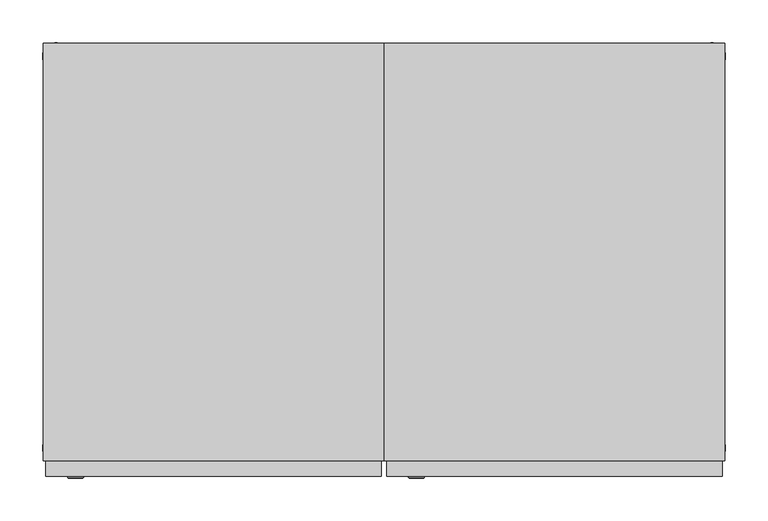
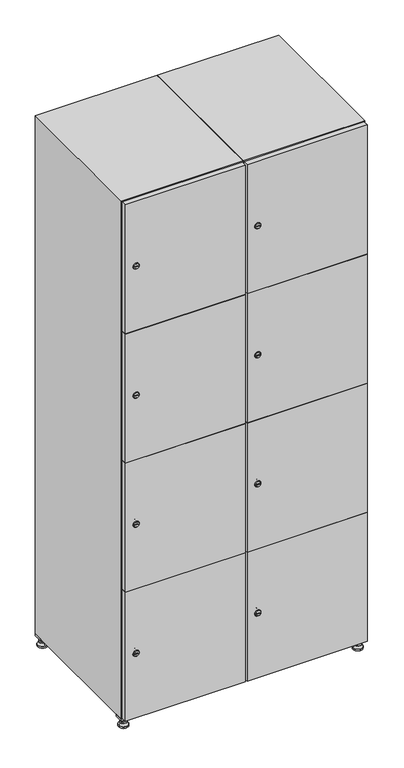
"""IFC4 building model written with IfcOpenShell, lengths in millimetres: furniture geometry."""

import ifcopenshell
import ifcopenshell.guid

model = None  # the IFC model being written
_history = None  # IfcOwnerHistory: only IFC2X3 demands one
_inside = {}  # id of a spatial element -> (the spatial element, [elements in it])
_under = {}  # id of a project, library or spatial element -> (it, [spatial elements below it])
_declared = {}  # id of a project -> (the project, [libraries it declares])
_typed = {}  # id of a type object -> (the type object, [elements of that type])
_made_of = {}  # id of a material, layer set ... -> (it, [elements and type objects made of it])


def new_model(schema):
    """Start an empty IFC model of exactly this schema.

    Asked for "IFC4X3", IfcOpenShell would pick the latest addendum, in which some entities
    have other attributes; the version numbers below select the first issue.
    IFC2X3 requires an IfcOwnerHistory on every rooted entity: one is made here for all.
    """
    global model, _history
    if schema == "IFC4X3":
        model = ifcopenshell.file(schema_version=(4, 3, 0, 0))
    else:
        model = ifcopenshell.file(schema=schema)
    _inside.clear()
    _under.clear()
    _declared.clear()
    _typed.clear()
    _made_of.clear()
    _history = None
    if model.schema == "IFC2X3":
        org = make("IfcOrganization", Name="unknown")
        user = make(
            "IfcPersonAndOrganization",
            ThePerson=make("IfcPerson", FamilyName="unknown"),
            TheOrganization=org,
        )
        app = make(
            "IfcApplication",
            ApplicationDeveloper=org,
            Version="unknown",
            ApplicationFullName="unknown",
            ApplicationIdentifier="unknown",
        )
        _history = make(
            "IfcOwnerHistory",
            OwningUser=user,
            OwningApplication=app,
            ChangeAction="ADDED",
            CreationDate=0,
        )
    return model


def make(cls, **values):
    """One entity of the class cls with the attributes given. An attribute that is None is left unset."""
    return model.create_entity(
        cls, **{name: value for name, value in values.items() if value is not None}
    )


def rooted(cls, **values):
    """An entity with a GlobalId (a new one), such as an element, a storey or a relation."""
    return make(cls, GlobalId=ifcopenshell.guid.new(), OwnerHistory=_history, **values)


def si_unit(unit_type, name, prefix=None):
    """IfcSIUnit, for example si_unit("LENGTHUNIT", "METRE", prefix="MILLI")."""
    return make("IfcSIUnit", UnitType=unit_type, Prefix=prefix, Name=name)


def assignment(units):
    """IfcUnitAssignment: the units of a project."""
    return None if units is None else make("IfcUnitAssignment", Units=units)


def point(xyz):
    """IfcCartesianPoint."""
    return None if xyz is None else make("IfcCartesianPoint", Coordinates=xyz)


def direction(xyz):
    """IfcDirection."""
    return None if xyz is None else make("IfcDirection", DirectionRatios=xyz)


def frame(location, z_axis=None, x_axis=None):
    """IfcAxis2Placement3D, a coordinate frame: its origin and axes. An axis left out is left unset."""
    return make(
        "IfcAxis2Placement3D",
        Location=point(location),
        Axis=direction(z_axis),
        RefDirection=direction(x_axis),
    )


def frame_2d(location, x_axis=None):
    """IfcAxis2Placement2D, a coordinate frame in the plane: its origin and x axis."""
    return make(
        "IfcAxis2Placement2D", Location=point(location), RefDirection=direction(x_axis)
    )


def origin():
    """The frame at (0, 0, 0) with its axes left unset."""
    return frame((0.0, 0.0, 0.0))


def origin_with_axes():
    """The frame at (0, 0, 0) with the z axis (0, 0, 1) and the x axis (1, 0, 0) written out."""
    return frame((0.0, 0.0, 0.0), z_axis=(0.0, 0.0, 1.0), x_axis=(1.0, 0.0, 0.0))


def place(relative_to, where):
    """IfcLocalPlacement: puts the frame where relative to a parent placement (None: the world)."""
    return make(
        "IfcLocalPlacement", PlacementRelTo=relative_to, RelativePlacement=where
    )


def context(
    kind, dimensions, precision=None, world=None, true_north=None, identifier=None
):
    """IfcGeometricRepresentationContext, for example the 3D "Model" context."""
    return make(
        "IfcGeometricRepresentationContext",
        ContextIdentifier=identifier,
        ContextType=kind,
        CoordinateSpaceDimension=dimensions,
        Precision=precision,
        WorldCoordinateSystem=world,
        TrueNorth=true_north,
    )


def project(units=None, contexts=None):
    """IfcProject with its units and contexts."""
    return rooted(
        "IfcProject",
        Name="project",
        RepresentationContexts=contexts,
        UnitsInContext=assignment(units),
    )


def spatial(cls, under=None, at=None, **own):
    """A site, building, storey or space (cls), placed at a placement, below another one or the project."""
    s = rooted(cls, ObjectPlacement=at, **own)
    if under is not None:
        _under.setdefault(under.id(), (under, []))[1].append(s)
    return s


def polyline(points):
    """IfcPolyline through the points."""
    return make("IfcPolyline", Points=[point(p) for p in points])


def circle_curve(where, radius):
    """IfcCircle in the frame where."""
    return make("IfcCircle", Position=where, Radius=radius)


def trimmed(basis, trim1, trim2, sense, master):
    """IfcTrimmedCurve: the piece of a basis curve between two trims."""
    return make(
        "IfcTrimmedCurve",
        BasisCurve=basis,
        Trim1=trim1,
        Trim2=trim2,
        SenseAgreement=sense,
        MasterRepresentation=master,
    )


def segment(curve, same_sense, transition):
    """IfcCompositeCurveSegment."""
    return make(
        "IfcCompositeCurveSegment",
        Transition=transition,
        SameSense=same_sense,
        ParentCurve=curve,
    )


def composite_curve(segments, self_intersect=None):
    """IfcCompositeCurve: segments joined end to end."""
    return make("IfcCompositeCurve", Segments=segments, SelfIntersect=self_intersect)


def outline(outer, holes=None, kind="AREA"):
    """IfcArbitraryClosedProfileDef: a profile drawn as a closed curve; with holes, ...WithVoids."""
    if holes is None:
        return make("IfcArbitraryClosedProfileDef", ProfileType=kind, OuterCurve=outer)
    return make(
        "IfcArbitraryProfileDefWithVoids",
        ProfileType=kind,
        OuterCurve=outer,
        InnerCurves=holes,
    )


def extrude(swept, where, along, depth):
    """IfcExtrudedAreaSolid: the profile swept, set in the frame where, extruded along a direction by depth."""
    return make(
        "IfcExtrudedAreaSolid",
        SweptArea=swept,
        Position=where,
        ExtrudedDirection=direction(along),
        Depth=depth,
    )


def faces_of(points, faces, orient=None, outer=None):
    """IfcFace entities. A face is a list of loops; a loop is a list of indices into points, from 0.

    orient and outer hold one flag for each loop. By default every Orientation is true, the
    first loop of a face is its IfcFaceOuterBound and the others are IfcFaceBound.
    """
    made = []
    for i, loops in enumerate(faces):
        bounds = []
        for j, loop in enumerate(loops):
            is_outer = j == 0 if outer is None else outer[i][j]
            bounds.append(
                make(
                    "IfcFaceOuterBound" if is_outer else "IfcFaceBound",
                    Bound=make("IfcPolyLoop", Polygon=[points[k] for k in loop]),
                    Orientation=True if orient is None else orient[i][j],
                )
            )
        made.append(make("IfcFace", Bounds=bounds))
    return made


def faceted_brep(points, faces, orient=None, outer=None, voids=None):
    """IfcFacetedBrep: a solid bounded by flat faces; with voids (closed shells), ...WithVoids."""
    shared = [point(p) for p in points]
    hull = make("IfcClosedShell", CfsFaces=faces_of(shared, faces, orient, outer))
    if voids is None:
        return make("IfcFacetedBrep", Outer=hull)
    return make(
        "IfcFacetedBrepWithVoids",
        Outer=hull,
        Voids=[
            make(cls, CfsFaces=faces_of(shared, fs, o, b)) for cls, fs, o, b in voids
        ],
    )


def shape(context_of_items, identifier, shape_type, items):
    """IfcShapeRepresentation: the items that make up one representation, for example the "Body"."""
    return make(
        "IfcShapeRepresentation",
        ContextOfItems=context_of_items,
        RepresentationIdentifier=identifier,
        RepresentationType=shape_type,
        Items=items,
    )


def source(mapping_origin, context_of_items, identifier, shape_type, items):
    """IfcRepresentationMap: a shape defined once, which mapped items show again and again."""
    return make(
        "IfcRepresentationMap",
        MappingOrigin=mapping_origin,
        MappedRepresentation=shape(context_of_items, identifier, shape_type, items),
    )


def transform(
    local_origin,
    x_axis=None,
    y_axis=None,
    z_axis=None,
    scale=None,
    scale2=None,
    scale3=None,
    uniform=True,
):
    """IfcCartesianTransformationOperator3D, or its non-uniform kind. x_axis, y_axis, z_axis: its Axis1, 2, 3."""
    if uniform:
        return make(
            "IfcCartesianTransformationOperator3D",
            Axis1=direction(x_axis),
            Axis2=direction(y_axis),
            LocalOrigin=point(local_origin),
            Scale=scale,
            Axis3=direction(z_axis),
        )
    return make(
        "IfcCartesianTransformationOperator3DnonUniform",
        Axis1=direction(x_axis),
        Axis2=direction(y_axis),
        LocalOrigin=point(local_origin),
        Scale=scale,
        Axis3=direction(z_axis),
        Scale2=scale2,
        Scale3=scale3,
    )


def mapped(mapping_source, mapping_target):
    """IfcMappedItem: shows the shape of a source again, moved by a transform."""
    return make(
        "IfcMappedItem", MappingSource=mapping_source, MappingTarget=mapping_target
    )


def made_of(thing, what):
    """Note that an element or type object is made of a material, layer set ...; save() writes the relation."""
    if what is not None:
        _made_of.setdefault(what.id(), (what, []))[1].append(thing)
    return thing


def element(
    cls,
    number,
    at=None,
    inside=None,
    cuts=None,
    type_object=None,
    material=None,
    context=None,
    identifier="Body",
    shape_type=None,
    held_by="IfcProductDefinitionShape",
    body=None,
    shapes=None,
    **own,
):
    """One element of the class cls, such as IfcWall. Its Tag is "e" and its number.

    at: its placement. inside: the storey or other place that contains it. cuts: it is an
    opening in that element (IfcRelVoidsElement). A single representation is given by context,
    identifier, shape_type and body (its items); several are given by shapes. held_by: the class
    of the entity that holds the representations. save() writes the other relations.
    """
    e = rooted(cls, Tag="e%d" % number, ObjectPlacement=at, **own)
    if body is not None:
        shapes = [shape(context, identifier, shape_type, body)]
    if shapes is not None:
        e.Representation = make(held_by, Representations=shapes)
    if inside is not None:
        _inside.setdefault(inside.id(), (inside, []))[1].append(e)
    if cuts is not None:
        rooted(
            "IfcRelVoidsElement", RelatingBuildingElement=cuts, RelatedOpeningElement=e
        )
    if type_object is not None:
        _typed.setdefault(type_object.id(), (type_object, []))[1].append(e)
    return made_of(e, material)


def aggregate(whole, parts):
    """IfcRelAggregates: a whole, such as a stair, and the parts it consists of."""
    return rooted("IfcRelAggregates", RelatingObject=whole, RelatedObjects=parts)


def save(model, path):
    """Write the relations noted so far, then the file.

    IfcRelAggregates (storeys below a building ...), IfcRelContainedInSpatialStructure (elements
    in a storey), IfcRelDefinesByType, IfcRelAssociatesMaterial and IfcRelDeclares: one each for
    every whole, place, type object, material and project.
    """
    for whole, parts in _under.values():
        aggregate(whole, parts)
    for where, things in _inside.values():
        rooted(
            "IfcRelContainedInSpatialStructure",
            RelatedElements=things,
            RelatingStructure=where,
        )
    for kind, things in _typed.values():
        rooted("IfcRelDefinesByType", RelatedObjects=things, RelatingType=kind)
    for what, things in _made_of.values():
        rooted("IfcRelAssociatesMaterial", RelatedObjects=things, RelatingMaterial=what)
    for by, libraries in _declared.values():
        rooted("IfcRelDeclares", RelatingContext=by, RelatedDefinitions=libraries)
    model.write(path)


def plane_surface(at):
    """IfcPlane: the flat surface through the origin of the frame at, square to its z axis."""
    return make("IfcPlane", Position=at)


def revolved_surface(curve, axis_point, axis_direction):
    """IfcSurfaceOfRevolution: the curve turned about the line through axis_point along axis_direction."""
    return make(
        "IfcSurfaceOfRevolution",
        SweptCurve=make("IfcArbitraryOpenProfileDef", ProfileType="CURVE", Curve=curve),
        AxisPosition=make("IfcAxis1Placement", Location=point(axis_point), Axis=direction(axis_direction)),
    )


def advanced_brep(points, edges, surfaces, faces):
    """IfcAdvancedBrep: a solid bounded by faces that lie on surfaces and meet in shared edges.

    An edge is (start, end): straight between two places in points (the first is 0);
    or (start, end, curve); or (start, end, curve, False) where it runs against its curve.
    A face is (place in surfaces, loops), or (place, loops, False) where it looks against
    its surface's normal. A loop lists edges by number (the first is 1), with a minus sign
    where the edge is run from its end to its start. The first loop is the outer one.
    """
    corners = [point(p) for p in points]
    vertices = [make("IfcVertexPoint", VertexGeometry=c) for c in corners]
    made = []
    for start, end, *more in edges:
        made.append(
            make(
                "IfcEdgeCurve",
                EdgeStart=vertices[start],
                EdgeEnd=vertices[end],
                EdgeGeometry=more[0] if more else make("IfcPolyline", Points=[corners[start], corners[end]]),
                SameSense=more[1] if len(more) > 1 else True,
            )
        )
    hull = []
    for where, loops, *sense in faces:
        bounds = []
        for j, loop in enumerate(loops):
            ring = [make("IfcOrientedEdge", EdgeElement=made[abs(k) - 1], Orientation=k > 0) for k in loop]
            bounds.append(
                make(
                    "IfcFaceOuterBound" if j == 0 else "IfcFaceBound",
                    Bound=make("IfcEdgeLoop", EdgeList=ring),
                    Orientation=True,
                )
            )
        hull.append(make("IfcAdvancedFace", Bounds=bounds, FaceSurface=surfaces[where], SameSense=sense[0] if sense else True))
    return make("IfcAdvancedBrep", Outer=make("IfcClosedShell", CfsFaces=hull))


def furniture_71765273(model_context):
    return source(origin(), model_context, "Body", "SolidModel", [
        extrude(outline(polyline([(600.0, 245.0), (600.0, 215.0), (570.0, 215.0), (570.0, 245.0), (600.0, 245.0)]), holes=[polyline([(598.0, 243.0), (572.0, 243.0), (572.0, 217.0), (598.0, 217.0), (598.0, 243.0)])]), frame((0.0, 0.0, 28.5), z_axis=(0.0, 0.0, 1.0), x_axis=(1.0, 0.0, 0.0)), (0.0, 0.0, 1.0), 6.5),
        extrude(outline(polyline([(570.0, -245.0), (570.0, -215.0), (600.0, -215.0), (600.0, -245.0), (570.0, -245.0)]), holes=[polyline([(572.0, -243.0), (598.0, -243.0), (598.0, -217.0), (572.0, -217.0), (572.0, -243.0)])]), frame((0.0, 0.0, 28.5), z_axis=(0.0, 0.0, 1.0), x_axis=(1.0, 0.0, 0.0)), (0.0, 0.0, 1.0), 6.5),
        extrude(outline(polyline([(-170.0, 245.0), (-170.0, 215.0), (-200.0, 215.0), (-200.0, 245.0), (-170.0, 245.0)]), holes=[polyline([(-172.0, 243.0), (-198.0, 243.0), (-198.0, 217.0), (-172.0, 217.0), (-172.0, 243.0)])]), frame((0.0, 0.0, 28.5), z_axis=(0.0, 0.0, 1.0), x_axis=(1.0, 0.0, 0.0)), (0.0, 0.0, 1.0), 6.5),
        extrude(outline(polyline([(-170.0, -215.0), (-170.0, -245.0), (-200.0, -245.0), (-200.0, -215.0), (-170.0, -215.0)]), holes=[polyline([(-198.0, -243.0), (-172.0, -243.0), (-172.0, -217.0), (-198.0, -217.0), (-198.0, -243.0)])]), frame((0.0, 0.0, 28.5), z_axis=(0.0, 0.0, 1.0), x_axis=(1.0, 0.0, 0.0)), (0.0, 0.0, 1.0), 6.5),
        extrude(outline(composite_curve([segment(trimmed(circle_curve(frame_2d((-185.0, 230.0)), 5.0), [point((-180.0, 230.0))], [point((-190.0, 230.0))], False, "CARTESIAN"), True, "CONTINUOUS"), segment(trimmed(circle_curve(frame_2d((-185.0, 230.0)), 5.0), [point((-190.0, 230.0))], [point((-180.0, 230.0))], False, "CARTESIAN"), True, "CONTINUOUS")], self_intersect=False)), frame((0.0, 0.0, 19.6), z_axis=(0.0, 0.0, 1.0), x_axis=(1.0, 0.0, 0.0)), (0.0, 0.0, 1.0), 15.4),
        extrude(outline(composite_curve([segment(trimmed(circle_curve(frame_2d((-185.0, -230.0)), 5.0), [point((-180.0, -230.0))], [point((-190.0, -230.0))], False, "CARTESIAN"), True, "CONTINUOUS"), segment(trimmed(circle_curve(frame_2d((-185.0, -230.0)), 5.0), [point((-190.0, -230.0))], [point((-180.0, -230.0))], False, "CARTESIAN"), True, "CONTINUOUS")], self_intersect=False)), frame((0.0, 0.0, 19.6), z_axis=(0.0, 0.0, 1.0), x_axis=(1.0, 0.0, 0.0)), (0.0, 0.0, 1.0), 15.4),
        extrude(outline(composite_curve([segment(trimmed(circle_curve(frame_2d((585.0, 230.0)), 5.0), [point((590.0, 230.0))], [point((580.0, 230.0))], False, "CARTESIAN"), True, "CONTINUOUS"), segment(trimmed(circle_curve(frame_2d((585.0, 230.0)), 5.0), [point((580.0, 230.0))], [point((590.0, 230.0))], False, "CARTESIAN"), True, "CONTINUOUS")], self_intersect=False)), frame((0.0, 0.0, 19.6), z_axis=(0.0, 0.0, 1.0), x_axis=(1.0, 0.0, 0.0)), (0.0, 0.0, 1.0), 15.4),
        extrude(outline(polyline([(573.4529946, 230.0), (579.2264973, 240.0), (590.7735027, 240.0), (596.5470054, 230.0), (590.7735027, 220.0), (579.2264973, 220.0), (573.4529946, 230.0)])), frame((0.0, 0.0, 13.6), z_axis=(0.0, 0.0, 1.0), x_axis=(1.0, 0.0, 0.0)), (0.0, 0.0, 1.0), 6.0),
        extrude(outline(composite_curve([segment(trimmed(circle_curve(frame_2d((585.0, -230.0)), 5.0), [point((590.0, -230.0))], [point((580.0, -230.0))], False, "CARTESIAN"), True, "CONTINUOUS"), segment(trimmed(circle_curve(frame_2d((585.0, -230.0)), 5.0), [point((580.0, -230.0))], [point((590.0, -230.0))], False, "CARTESIAN"), True, "CONTINUOUS")], self_intersect=False)), frame((0.0, 0.0, 19.6), z_axis=(0.0, 0.0, 1.0), x_axis=(1.0, 0.0, 0.0)), (0.0, 0.0, 1.0), 15.4),
        extrude(outline(polyline([(573.4529946, -230.0), (579.2264973, -220.0), (590.7735027, -220.0), (596.5470054, -230.0), (590.7735027, -240.0), (579.2264973, -240.0), (573.4529946, -230.0)])), frame((0.0, 0.0, 13.6), z_axis=(0.0, 0.0, 1.0), x_axis=(1.0, 0.0, 0.0)), (0.0, 0.0, 1.0), 6.0),
        extrude(outline(composite_curve([segment(trimmed(circle_curve(frame_2d((585.0, 230.0)), 5.0), [point((590.0, 230.0))], [point((580.0, 230.0))], False, "CARTESIAN"), True, "CONTINUOUS"), segment(trimmed(circle_curve(frame_2d((585.0, 230.0)), 5.0), [point((580.0, 230.0))], [point((590.0, 230.0))], False, "CARTESIAN"), True, "CONTINUOUS")], self_intersect=False)), frame((0.0, 0.0, 12.1), z_axis=(0.0, 0.0, 1.0), x_axis=(1.0, 0.0, 0.0)), (0.0, 0.0, 1.0), 1.5),
        extrude(outline(composite_curve([segment(trimmed(circle_curve(frame_2d((585.0, -230.0)), 5.0), [point((590.0, -230.0))], [point((580.0, -230.0))], False, "CARTESIAN"), True, "CONTINUOUS"), segment(trimmed(circle_curve(frame_2d((585.0, -230.0)), 5.0), [point((580.0, -230.0))], [point((590.0, -230.0))], False, "CARTESIAN"), True, "CONTINUOUS")], self_intersect=False)), frame((0.0, 0.0, 12.1), z_axis=(0.0, 0.0, 1.0), x_axis=(1.0, 0.0, 0.0)), (0.0, 0.0, 1.0), 1.5),
        extrude(outline(polyline([(-196.5470054, 230.0), (-190.7735027, 240.0), (-179.2264973, 240.0), (-173.4529946, 230.0), (-179.2264973, 220.0), (-190.7735027, 220.0), (-196.5470054, 230.0)])), frame((0.0, 0.0, 13.6), z_axis=(0.0, 0.0, 1.0), x_axis=(1.0, 0.0, 0.0)), (0.0, 0.0, 1.0), 6.0),
        extrude(outline(polyline([(-196.5470054, -230.0), (-190.7735027, -220.0), (-179.2264973, -220.0), (-173.4529946, -230.0), (-179.2264973, -240.0), (-190.7735027, -240.0), (-196.5470054, -230.0)])), frame((0.0, 0.0, 13.6), z_axis=(0.0, 0.0, 1.0), x_axis=(1.0, 0.0, 0.0)), (0.0, 0.0, 1.0), 6.0),
        extrude(outline(composite_curve([segment(trimmed(circle_curve(frame_2d((-185.0, 230.0)), 5.0), [point((-185.0, 235.0))], [point((-185.0, 225.0))], False, "CARTESIAN"), True, "CONTINUOUS"), segment(trimmed(circle_curve(frame_2d((-185.0, 230.0)), 5.0), [point((-185.0, 225.0))], [point((-185.0, 235.0))], False, "CARTESIAN"), True, "CONTINUOUS")], self_intersect=False)), frame((0.0, 0.0, 12.1), z_axis=(0.0, 0.0, 1.0), x_axis=(1.0, 0.0, 0.0)), (0.0, 0.0, 1.0), 1.5),
        extrude(outline(composite_curve([segment(trimmed(circle_curve(frame_2d((-185.0, -230.0)), 5.0), [point((-180.0, -230.0))], [point((-190.0, -230.0))], False, "CARTESIAN"), True, "CONTINUOUS"), segment(trimmed(circle_curve(frame_2d((-185.0, -230.0)), 5.0), [point((-190.0, -230.0))], [point((-180.0, -230.0))], False, "CARTESIAN"), True, "CONTINUOUS")], self_intersect=False)), frame((0.0, 0.0, 12.1), z_axis=(0.0, 0.0, 1.0), x_axis=(1.0, 0.0, 0.0)), (0.0, 0.0, 1.0), 1.5),
        extrude(outline(composite_curve([segment(trimmed(circle_curve(frame_2d((585.0, 230.0)), 15.75), [point((600.75, 230.0))], [point((569.25, 230.0))], False, "CARTESIAN"), True, "CONTINUOUS"), segment(trimmed(circle_curve(frame_2d((585.0, 230.0)), 15.75), [point((569.25, 230.0))], [point((600.75, 230.0))], False, "CARTESIAN"), True, "CONTINUOUS")], self_intersect=False)), origin_with_axes(), (0.0, 0.0, 1.0), 5.1),
        extrude(outline(composite_curve([segment(trimmed(circle_curve(frame_2d((585.0, -230.0)), 15.75), [point((585.0, -214.25))], [point((585.0, -245.75))], False, "CARTESIAN"), True, "CONTINUOUS"), segment(trimmed(circle_curve(frame_2d((585.0, -230.0)), 15.75), [point((585.0, -245.75))], [point((585.0, -214.25))], False, "CARTESIAN"), True, "CONTINUOUS")], self_intersect=False)), origin_with_axes(), (0.0, 0.0, 1.0), 5.1),
        extrude(outline(composite_curve([segment(trimmed(circle_curve(frame_2d((-185.0, -230.0)), 15.75), [point((-169.25, -230.0))], [point((-200.75, -230.0))], False, "CARTESIAN"), True, "CONTINUOUS"), segment(trimmed(circle_curve(frame_2d((-185.0, -230.0)), 15.75), [point((-200.75, -230.0))], [point((-169.25, -230.0))], False, "CARTESIAN"), True, "CONTINUOUS")], self_intersect=False)), origin_with_axes(), (0.0, 0.0, 1.0), 5.1),
        extrude(outline(composite_curve([segment(trimmed(circle_curve(frame_2d((-185.0, 230.0)), 15.75), [point((-169.25, 230.0))], [point((-200.75, 230.0))], False, "CARTESIAN"), True, "CONTINUOUS"), segment(trimmed(circle_curve(frame_2d((-185.0, 230.0)), 15.75), [point((-200.75, 230.0))], [point((-169.25, 230.0))], False, "CARTESIAN"), True, "CONTINUOUS")], self_intersect=False)), origin_with_axes(), (0.0, 0.0, 1.0), 5.1),
        advanced_brep(
        [(-185.0, 239.5, 12.1), (-185.0, 220.5, 12.1), (-185.0, 214.25, 5.1), (-185.0, 245.75, 5.1)],
        [
            (0, 1, circle_curve(frame((-185.0, 230.0, 12.1), z_axis=(0.0, 0.0, -1.0), x_axis=(0.0, 1.0, 0.0)), 9.5)),
            (1, 2),
            (2, 3, circle_curve(frame((-185.0, 230.0, 5.1), z_axis=(0.0, 0.0, 1.0), x_axis=(0.0, 1.0, 0.0)), 15.75)),
            (3, 0),
            (1, 0, circle_curve(frame((-185.0, 230.0, 12.1), z_axis=(0.0, 0.0, -1.0), x_axis=(0.0, -1.0, 0.0)), 9.5)),
            (3, 2, circle_curve(frame((-185.0, 230.0, 5.1), z_axis=(0.0, 0.0, 1.0), x_axis=(0.0, -1.0, 0.0)), 15.75)),
        ],
        [
            revolved_surface(polyline([(-185.0, 220.5, 12.099999999999998), (-185.0, 214.25, 5.099999999999998)]), (-185.0, 230.0, 22.74), (0.0, 0.0, -1.0)),
            revolved_surface(polyline([(-185.0, 239.5, 12.099999999999998), (-185.0, 245.75, 5.099999999999998)]), (-185.0, 230.0, 22.74), (0.0, 0.0, -1.0)),
            plane_surface(frame((-185.0, 230.0, 5.1), z_axis=(0.0, 0.0, -1.0), x_axis=(1.0, 0.0, 0.0))),
            plane_surface(frame((-185.0, 230.0, 12.1), z_axis=(0.0, 0.0, 1.0), x_axis=(1.0, 0.0, 0.0))),
        ],
        [
            (0, [[1, 2, 3, 4]]),
            (1, [[5, -4, 6, -2]]),
            (2, [[-3, -6]]),
            (3, [[-5, -1]]),
        ],
    ),
        advanced_brep(
        [(585.0, 239.5, 12.1), (585.0, 220.5, 12.1), (585.0, 214.25, 5.1), (585.0, 245.75, 5.1)],
        [
            (0, 1, circle_curve(frame((585.0, 230.0, 12.1), z_axis=(0.0, 0.0, -1.0), x_axis=(0.0, 1.0, 0.0)), 9.5)),
            (1, 2),
            (2, 3, circle_curve(frame((585.0, 230.0, 5.1), z_axis=(0.0, 0.0, 1.0), x_axis=(0.0, 1.0, 0.0)), 15.75)),
            (3, 0),
            (1, 0, circle_curve(frame((585.0, 230.0, 12.1), z_axis=(0.0, 0.0, -1.0), x_axis=(0.0, -1.0, 0.0)), 9.5)),
            (3, 2, circle_curve(frame((585.0, 230.0, 5.1), z_axis=(0.0, 0.0, 1.0), x_axis=(0.0, -1.0, 0.0)), 15.75)),
        ],
        [
            revolved_surface(polyline([(585.0, 220.5, 12.099999999999998), (585.0, 214.25, 5.099999999999998)]), (585.0, 230.0, 22.74), (0.0, 0.0, -1.0)),
            revolved_surface(polyline([(585.0, 239.5, 12.099999999999998), (585.0, 245.75, 5.099999999999998)]), (585.0, 230.0, 22.74), (0.0, 0.0, -1.0)),
            plane_surface(frame((585.0, 230.0, 5.1), z_axis=(0.0, 0.0, -1.0), x_axis=(1.0, 0.0, 0.0))),
            plane_surface(frame((585.0, 230.0, 12.1), z_axis=(0.0, 0.0, 1.0), x_axis=(1.0, 0.0, 0.0))),
        ],
        [
            (0, [[1, 2, 3, 4]]),
            (1, [[5, -4, 6, -2]]),
            (2, [[-3, -6]]),
            (3, [[-5, -1]]),
        ],
    ),
        advanced_brep(
        [(600.75, -230.0, 5.1), (569.25, -230.0, 5.1), (575.5, -230.0, 12.1), (594.5, -230.0, 12.1)],
        [
            (0, 1, circle_curve(frame((585.0, -230.0, 5.1), z_axis=(0.0, 0.0, 1.0), x_axis=(1.0, 0.0, 0.0)), 15.75)),
            (1, 2),
            (2, 3, circle_curve(frame((585.0, -230.0, 12.1), z_axis=(0.0, 0.0, -1.0), x_axis=(1.0, 0.0, 0.0)), 9.5)),
            (3, 0),
            (1, 0, circle_curve(frame((585.0, -230.0, 5.1), z_axis=(0.0, 0.0, 1.0), x_axis=(-1.0, 0.0, 0.0)), 15.75)),
            (3, 2, circle_curve(frame((585.0, -230.0, 12.1), z_axis=(0.0, 0.0, -1.0), x_axis=(-1.0, 0.0, 0.0)), 9.5)),
        ],
        [
            revolved_surface(polyline([(594.5, -230.0, 12.099999999999998), (600.75, -230.0, 5.099999999999998)]), (585.0, -230.0, 22.74), (0.0, 0.0, -1.0)),
            revolved_surface(polyline([(575.5, -230.0, 12.099999999999998), (569.25, -230.0, 5.099999999999998)]), (585.0, -230.0, 22.74), (0.0, 0.0, -1.0)),
            plane_surface(frame((585.0, -230.0, 12.1), z_axis=(0.0, 0.0, 1.0), x_axis=(0.0, 1.0, 0.0))),
            plane_surface(frame((585.0, -230.0, 5.1), z_axis=(0.0, 0.0, -1.0), x_axis=(0.0, 1.0, 0.0))),
        ],
        [
            (0, [[1, 2, 3, 4]]),
            (1, [[5, -4, 6, -2]]),
            (2, [[-3, -6]]),
            (3, [[-5, -1]]),
        ],
    ),
        advanced_brep(
        [(-169.25, -230.0, 5.1), (-200.75, -230.0, 5.1), (-194.5, -230.0, 12.1), (-175.5, -230.0, 12.1)],
        [
            (0, 1, circle_curve(frame((-185.0, -230.0, 5.1), z_axis=(0.0, 0.0, 1.0), x_axis=(1.0, 0.0, 0.0)), 15.75)),
            (1, 2),
            (2, 3, circle_curve(frame((-185.0, -230.0, 12.1), z_axis=(0.0, 0.0, -1.0), x_axis=(1.0, 0.0, 0.0)), 9.5)),
            (3, 0),
            (1, 0, circle_curve(frame((-185.0, -230.0, 5.1), z_axis=(0.0, 0.0, 1.0), x_axis=(-1.0, 0.0, 0.0)), 15.75)),
            (3, 2, circle_curve(frame((-185.0, -230.0, 12.1), z_axis=(0.0, 0.0, -1.0), x_axis=(-1.0, 0.0, 0.0)), 9.5)),
        ],
        [
            revolved_surface(polyline([(-175.5, -230.0, 12.099999999999998), (-169.25, -230.0, 5.099999999999998)]), (-185.0, -230.0, 22.74), (0.0, 0.0, -1.0)),
            revolved_surface(polyline([(-194.5, -230.0, 12.099999999999998), (-200.75, -230.0, 5.099999999999998)]), (-185.0, -230.0, 22.74), (0.0, 0.0, -1.0)),
            plane_surface(frame((-185.0, -230.0, 12.1), z_axis=(0.0, 0.0, 1.0), x_axis=(0.0, 1.0, 0.0))),
            plane_surface(frame((-185.0, -230.0, 5.1), z_axis=(0.0, 0.0, -1.0), x_axis=(0.0, 1.0, 0.0))),
        ],
        [
            (0, [[1, 2, 3, 4]]),
            (1, [[5, -4, 6, -2]]),
            (2, [[-3, -6]]),
            (3, [[-5, -1]]),
        ],
    ),
        extrude(outline(composite_curve([segment(trimmed(circle_curve(frame_2d((262.25, 211.2010534)), 7.0), [point((269.25, 211.2010534))], [point((255.25, 211.2010534))], False, "CARTESIAN"), True, "CONTINUOUS"), segment(polyline([(255.25, 211.2010534), (255.25, 239.2010534)]), True, "CONTINUOUS"), segment(trimmed(circle_curve(frame_2d((262.25, 239.2010534)), 7.0), [point((255.25, 239.2010534))], [point((269.25, 239.2010534))], False, "CARTESIAN"), True, "CONTINUOUS"), segment(polyline([(269.25, 239.2010534), (269.25, 211.2010534)]), True, "CONTINUOUS")], self_intersect=False)), frame((0.0, -245.0, 0.0), z_axis=(0.0, 1.0, 0.0), x_axis=(0.0, 0.0, 1.0)), (0.0, 0.0, 1.0), 2.0),
        advanced_brep(
        [(246.5, -265.2, 262.25), (229.5, -265.2, 262.25), (233.0, -265.2, 261.0), (233.0, -265.2, 263.5), (243.0, -265.2, 263.5), (243.0, -265.2, 261.0), (248.5, -263.0, 262.25), (227.5, -263.0, 262.25), (233.0, -263.0, 263.5), (233.0, -263.0, 261.0), (243.0, -263.0, 261.0), (243.0, -263.0, 263.5)],
        [
            (0, 1, circle_curve(frame((238.0, -265.2, 262.25), z_axis=(0.0, -1.0, 0.0), x_axis=(1.0, 0.0, 0.0)), 8.5)),
            (1, 0, circle_curve(frame((238.0, -265.2, 262.25), z_axis=(0.0, -1.0, 0.0), x_axis=(-1.0, 0.0, 0.0)), 8.5)),
            (2, 3),
            (3, 4),
            (4, 5),
            (5, 2),
            (6, 7, circle_curve(frame((238.0, -263.0, 262.25), z_axis=(0.0, 1.0, 0.0), x_axis=(-1.0, 0.0, 0.0)), 10.5)),
            (7, 6, circle_curve(frame((238.0, -263.0, 262.25), z_axis=(0.0, 1.0, 0.0), x_axis=(1.0, 0.0, 0.0)), 10.5)),
            (8, 9),
            (9, 10),
            (10, 11),
            (11, 8),
            (0, 6),
            (7, 1),
            (8, 3),
            (2, 9),
            (11, 4),
            (10, 5),
        ],
        [
            plane_surface(frame((238.0, -265.2, 262.25), z_axis=(0.0, -1.0, 0.0), x_axis=(0.0, 0.0, 1.0))),
            plane_surface(frame((238.0, -263.0, 262.25), z_axis=(0.0, 1.0, 0.0), x_axis=(0.0, 0.0, 1.0))),
            revolved_surface(polyline([(246.5, -265.2, 262.25), (248.5, -263.0, 262.25)]), (238.0, -274.55, 262.25), (0.0, 1.0, 0.0)),
            revolved_surface(polyline([(229.5, -265.2, 262.25), (227.5, -263.0, 262.25)]), (238.0, -274.55, 262.25), (0.0, 1.0, 0.0)),
            plane_surface(frame((233.0, -263.0, 261.0), z_axis=(1.0, 0.0, 0.0), x_axis=(0.0, -1.0, 0.0))),
            plane_surface(frame((233.0, -263.0, 263.5), z_axis=(0.0, 0.0, -1.0), x_axis=(0.0, -1.0, 0.0))),
            plane_surface(frame((243.0, -263.0, 263.5), z_axis=(-1.0, 0.0, 0.0), x_axis=(0.0, -1.0, 0.0))),
            plane_surface(frame((243.0, -263.0, 261.0), z_axis=(0.0, 0.0, 1.0), x_axis=(0.0, -1.0, 0.0))),
        ],
        [
            (0, [[1, 2], [3, 4, 5, 6]]),
            (1, [[7, 8], [9, 10, 11, 12]]),
            (2, [[-1, 13, -8, 14]]),
            (3, [[-2, -14, -7, -13]]),
            (4, [[15, -3, 16, -9]]),
            (5, [[-15, -12, 17, -4]]),
            (6, [[-17, -11, 18, -5]]),
            (7, [[-16, -6, -18, -10]]),
        ],
    ),
        extrude(outline(composite_curve([segment(trimmed(circle_curve(frame_2d((710.75, 211.2010534)), 7.0), [point((717.75, 211.2010534))], [point((703.75, 211.2010534))], False, "CARTESIAN"), True, "CONTINUOUS"), segment(polyline([(703.75, 211.2010534), (703.75, 239.2010534)]), True, "CONTINUOUS"), segment(trimmed(circle_curve(frame_2d((710.75, 239.2010534)), 7.0), [point((703.75, 239.2010534))], [point((717.75, 239.2010534))], False, "CARTESIAN"), True, "CONTINUOUS"), segment(polyline([(717.75, 239.2010534), (717.75, 211.2010534)]), True, "CONTINUOUS")], self_intersect=False)), frame((0.0, -245.0, 0.0), z_axis=(0.0, 1.0, 0.0), x_axis=(0.0, 0.0, 1.0)), (0.0, 0.0, 1.0), 2.0),
        advanced_brep(
        [(246.5, -265.2, 710.75), (229.5, -265.2, 710.75), (233.0, -265.2, 709.5), (233.0, -265.2, 712.0), (243.0, -265.2, 712.0), (243.0, -265.2, 709.5), (248.5, -263.0, 710.75), (227.5, -263.0, 710.75), (233.0, -263.0, 712.0), (233.0, -263.0, 709.5), (243.0, -263.0, 709.5), (243.0, -263.0, 712.0)],
        [
            (0, 1, circle_curve(frame((238.0, -265.2, 710.75), z_axis=(0.0, -1.0, 0.0), x_axis=(1.0, 0.0, 0.0)), 8.5)),
            (1, 0, circle_curve(frame((238.0, -265.2, 710.75), z_axis=(0.0, -1.0, 0.0), x_axis=(-1.0, 0.0, 0.0)), 8.5)),
            (2, 3),
            (3, 4),
            (4, 5),
            (5, 2),
            (6, 7, circle_curve(frame((238.0, -263.0, 710.75), z_axis=(0.0, 1.0, 0.0), x_axis=(-1.0, 0.0, 0.0)), 10.5)),
            (7, 6, circle_curve(frame((238.0, -263.0, 710.75), z_axis=(0.0, 1.0, 0.0), x_axis=(1.0, 0.0, 0.0)), 10.5)),
            (8, 9),
            (9, 10),
            (10, 11),
            (11, 8),
            (0, 6),
            (7, 1),
            (8, 3),
            (2, 9),
            (11, 4),
            (10, 5),
        ],
        [
            plane_surface(frame((238.0, -265.2, 710.75), z_axis=(0.0, -1.0, 0.0), x_axis=(0.0, 0.0, 1.0))),
            plane_surface(frame((238.0, -263.0, 710.75), z_axis=(0.0, 1.0, 0.0), x_axis=(0.0, 0.0, 1.0))),
            revolved_surface(polyline([(246.5, -265.2, 710.75), (248.5, -263.0, 710.75)]), (238.0, -274.55, 710.75), (0.0, 1.0, 0.0)),
            revolved_surface(polyline([(229.5, -265.2, 710.75), (227.5, -263.0, 710.75)]), (238.0, -274.55, 710.75), (0.0, 1.0, 0.0)),
            plane_surface(frame((233.0, -263.0, 709.5), z_axis=(1.0, 0.0, 0.0), x_axis=(0.0, -1.0, 0.0))),
            plane_surface(frame((233.0, -263.0, 712.0), z_axis=(0.0, 0.0, -1.0), x_axis=(0.0, -1.0, 0.0))),
            plane_surface(frame((243.0, -263.0, 712.0), z_axis=(-1.0, 0.0, 0.0), x_axis=(0.0, -1.0, 0.0))),
            plane_surface(frame((243.0, -263.0, 709.5), z_axis=(0.0, 0.0, 1.0), x_axis=(0.0, -1.0, 0.0))),
        ],
        [
            (0, [[1, 2], [3, 4, 5, 6]]),
            (1, [[7, 8], [9, 10, 11, 12]]),
            (2, [[-1, 13, -8, 14]]),
            (3, [[-2, -14, -7, -13]]),
            (4, [[15, -3, 16, -9]]),
            (5, [[-15, -12, 17, -4]]),
            (6, [[-17, -11, 18, -5]]),
            (7, [[-16, -6, -18, -10]]),
        ],
    ),
        extrude(outline(composite_curve([segment(trimmed(circle_curve(frame_2d((1159.25, 211.2010534)), 7.0), [point((1166.25, 211.2010534))], [point((1152.25, 211.2010534))], False, "CARTESIAN"), True, "CONTINUOUS"), segment(polyline([(1152.25, 211.2010534), (1152.25, 239.2010534)]), True, "CONTINUOUS"), segment(trimmed(circle_curve(frame_2d((1159.25, 239.2010534)), 7.0), [point((1152.25, 239.2010534))], [point((1166.25, 239.2010534))], False, "CARTESIAN"), True, "CONTINUOUS"), segment(polyline([(1166.25, 239.2010534), (1166.25, 211.2010534)]), True, "CONTINUOUS")], self_intersect=False)), frame((0.0, -245.0, 0.0), z_axis=(0.0, 1.0, 0.0), x_axis=(0.0, 0.0, 1.0)), (0.0, 0.0, 1.0), 2.0),
        advanced_brep(
        [(246.5, -265.2, 1159.25), (229.5, -265.2, 1159.25), (233.0, -265.2, 1158.0), (233.0, -265.2, 1160.5), (243.0, -265.2, 1160.5), (243.0, -265.2, 1158.0), (248.5, -263.0, 1159.25), (227.5, -263.0, 1159.25), (233.0, -263.0, 1160.5), (233.0, -263.0, 1158.0), (243.0, -263.0, 1158.0), (243.0, -263.0, 1160.5)],
        [
            (0, 1, circle_curve(frame((238.0, -265.2, 1159.25), z_axis=(0.0, -1.0, 0.0), x_axis=(1.0, 0.0, 0.0)), 8.5)),
            (1, 0, circle_curve(frame((238.0, -265.2, 1159.25), z_axis=(0.0, -1.0, 0.0), x_axis=(-1.0, 0.0, 0.0)), 8.5)),
            (2, 3),
            (3, 4),
            (4, 5),
            (5, 2),
            (6, 7, circle_curve(frame((238.0, -263.0, 1159.25), z_axis=(0.0, 1.0, 0.0), x_axis=(-1.0, 0.0, 0.0)), 10.5)),
            (7, 6, circle_curve(frame((238.0, -263.0, 1159.25), z_axis=(0.0, 1.0, 0.0), x_axis=(1.0, 0.0, 0.0)), 10.5)),
            (8, 9),
            (9, 10),
            (10, 11),
            (11, 8),
            (0, 6),
            (7, 1),
            (8, 3),
            (2, 9),
            (11, 4),
            (10, 5),
        ],
        [
            plane_surface(frame((238.0, -265.2, 1159.25), z_axis=(0.0, -1.0, 0.0), x_axis=(0.0, 0.0, 1.0))),
            plane_surface(frame((238.0, -263.0, 1159.25), z_axis=(0.0, 1.0, 0.0), x_axis=(0.0, 0.0, 1.0))),
            revolved_surface(polyline([(246.5, -265.2, 1159.25), (248.5, -263.0, 1159.25)]), (238.0, -274.55, 1159.25), (0.0, 1.0, 0.0)),
            revolved_surface(polyline([(229.5, -265.2, 1159.25), (227.5, -263.0, 1159.25)]), (238.0, -274.55, 1159.25), (0.0, 1.0, 0.0)),
            plane_surface(frame((233.0, -263.0, 1158.0), z_axis=(1.0, 0.0, 0.0), x_axis=(0.0, -1.0, 0.0))),
            plane_surface(frame((233.0, -263.0, 1160.5), z_axis=(0.0, 0.0, -1.0), x_axis=(0.0, -1.0, 0.0))),
            plane_surface(frame((243.0, -263.0, 1160.5), z_axis=(-1.0, 0.0, 0.0), x_axis=(0.0, -1.0, 0.0))),
            plane_surface(frame((243.0, -263.0, 1158.0), z_axis=(0.0, 0.0, 1.0), x_axis=(0.0, -1.0, 0.0))),
        ],
        [
            (0, [[1, 2], [3, 4, 5, 6]]),
            (1, [[7, 8], [9, 10, 11, 12]]),
            (2, [[-1, 13, -8, 14]]),
            (3, [[-2, -14, -7, -13]]),
            (4, [[15, -3, 16, -9]]),
            (5, [[-15, -12, 17, -4]]),
            (6, [[-17, -11, 18, -5]]),
            (7, [[-16, -6, -18, -10]]),
        ],
    ),
        extrude(outline(composite_curve([segment(trimmed(circle_curve(frame_2d((1607.75, 211.2010534)), 7.0), [point((1614.75, 211.2010534))], [point((1600.75, 211.2010534))], False, "CARTESIAN"), True, "CONTINUOUS"), segment(polyline([(1600.75, 211.2010534), (1600.75, 239.2010534)]), True, "CONTINUOUS"), segment(trimmed(circle_curve(frame_2d((1607.75, 239.2010534)), 7.0), [point((1600.75, 239.2010534))], [point((1614.75, 239.2010534))], False, "CARTESIAN"), True, "CONTINUOUS"), segment(polyline([(1614.75, 239.2010534), (1614.75, 211.2010534)]), True, "CONTINUOUS")], self_intersect=False)), frame((0.0, -245.0, 0.0), z_axis=(0.0, 1.0, 0.0), x_axis=(0.0, 0.0, 1.0)), (0.0, 0.0, 1.0), 2.0),
        advanced_brep(
        [(246.5, -265.2, 1607.75), (229.5, -265.2, 1607.75), (233.0, -265.2, 1606.5), (233.0, -265.2, 1609.0), (243.0, -265.2, 1609.0), (243.0, -265.2, 1606.5), (248.5, -263.0, 1607.75), (227.5, -263.0, 1607.75), (233.0, -263.0, 1609.0), (233.0, -263.0, 1606.5), (243.0, -263.0, 1606.5), (243.0, -263.0, 1609.0)],
        [
            (0, 1, circle_curve(frame((238.0, -265.2, 1607.75), z_axis=(0.0, -1.0, 0.0), x_axis=(1.0, 0.0, 0.0)), 8.5)),
            (1, 0, circle_curve(frame((238.0, -265.2, 1607.75), z_axis=(0.0, -1.0, 0.0), x_axis=(-1.0, 0.0, 0.0)), 8.5)),
            (2, 3),
            (3, 4),
            (4, 5),
            (5, 2),
            (6, 7, circle_curve(frame((238.0, -263.0, 1607.75), z_axis=(0.0, 1.0, 0.0), x_axis=(-1.0, 0.0, 0.0)), 10.5)),
            (7, 6, circle_curve(frame((238.0, -263.0, 1607.75), z_axis=(0.0, 1.0, 0.0), x_axis=(1.0, 0.0, 0.0)), 10.5)),
            (8, 9),
            (9, 10),
            (10, 11),
            (11, 8),
            (0, 6),
            (7, 1),
            (8, 3),
            (2, 9),
            (11, 4),
            (10, 5),
        ],
        [
            plane_surface(frame((238.0, -265.2, 1607.75), z_axis=(0.0, -1.0, 0.0), x_axis=(0.0, 0.0, 1.0))),
            plane_surface(frame((238.0, -263.0, 1607.75), z_axis=(0.0, 1.0, 0.0), x_axis=(0.0, 0.0, 1.0))),
            revolved_surface(polyline([(246.5, -265.2, 1607.75), (248.5, -263.0, 1607.75)]), (238.0, -274.55, 1607.75), (0.0, 1.0, 0.0)),
            revolved_surface(polyline([(229.5, -265.2, 1607.75), (227.5, -263.0, 1607.75)]), (238.0, -274.55, 1607.75), (0.0, 1.0, 0.0)),
            plane_surface(frame((233.0, -263.0, 1606.5), z_axis=(1.0, 0.0, 0.0), x_axis=(0.0, -1.0, 0.0))),
            plane_surface(frame((233.0, -263.0, 1609.0), z_axis=(0.0, 0.0, -1.0), x_axis=(0.0, -1.0, 0.0))),
            plane_surface(frame((243.0, -263.0, 1609.0), z_axis=(-1.0, 0.0, 0.0), x_axis=(0.0, -1.0, 0.0))),
            plane_surface(frame((243.0, -263.0, 1606.5), z_axis=(0.0, 0.0, 1.0), x_axis=(0.0, -1.0, 0.0))),
        ],
        [
            (0, [[1, 2], [3, 4, 5, 6]]),
            (1, [[7, 8], [9, 10, 11, 12]]),
            (2, [[-1, 13, -8, 14]]),
            (3, [[-2, -14, -7, -13]]),
            (4, [[15, -3, 16, -9]]),
            (5, [[-15, -12, 17, -4]]),
            (6, [[-17, -11, 18, -5]]),
            (7, [[-16, -6, -18, -10]]),
        ],
    ),
        extrude(outline(polyline([(597.0, -245.0), (597.0, -263.0), (203.0, -263.0), (203.0, -245.0), (597.0, -245.0)])), frame((0.0, 0.0, 486.0), z_axis=(0.0, 0.0, 1.0), x_axis=(1.0, 0.0, 0.0)), (0.0, 0.0, 1.0), 448.5),
        extrude(outline(polyline([(597.0, -245.0), (597.0, -263.0), (203.0, -263.0), (203.0, -245.0), (597.0, -245.0)])), frame((0.0, 0.0, 935.5), z_axis=(0.0, 0.0, 1.0), x_axis=(1.0, 0.0, 0.0)), (0.0, 0.0, 1.0), 447.5),
        extrude(outline(polyline([(203.0, -263.0), (203.0, -245.0), (597.0, -245.0), (597.0, -263.0), (203.0, -263.0)])), frame((0.0, 0.0, 1384.0), z_axis=(0.0, 0.0, 1.0), x_axis=(1.0, 0.0, 0.0)), (0.0, 0.0, 1.0), 448.0),
        extrude(outline(polyline([(597.0, -245.0), (597.0, -263.0), (203.0, -263.0), (203.0, -245.0), (597.0, -245.0)])), frame((0.0, 0.0, 38.0), z_axis=(0.0, 0.0, 1.0), x_axis=(1.0, 0.0, 0.0)), (0.0, 0.0, 1.0), 449.0),
        extrude(outline(polyline([(579.6, 242.0), (579.6, -227.0), (220.4, -227.0), (220.4, 242.0), (579.6, 242.0)])), frame((0.0, 0.0, 1359.7), z_axis=(0.0, 0.0, 1.0), x_axis=(1.0, 0.0, 0.0)), (0.0, 0.0, 1.0), 20.4),
        extrude(outline(polyline([(579.6, 242.0), (579.6, -227.0), (220.4, -227.0), (220.4, 242.0), (579.6, 242.0)])), frame((0.0, 0.0, 924.8), z_axis=(0.0, 0.0, 1.0), x_axis=(1.0, 0.0, 0.0)), (0.0, 0.0, 1.0), 20.4),
        extrude(outline(polyline([(579.6, 242.0), (579.6, -227.0), (220.4, -227.0), (220.4, 242.0), (579.6, 242.0)])), frame((0.0, 0.0, 489.9), z_axis=(0.0, 0.0, 1.0), x_axis=(1.0, 0.0, 0.0)), (0.0, 0.0, 1.0), 20.4),
        faceted_brep([(600.0, -245.0, 35.0), (600.0, -245.0, 1835.0), (200.0, -245.0, 1835.0), (200.0, -245.0, 35.0), (579.6, -245.0, 1804.8), (579.6, -245.0, 65.2), (220.4, -245.0, 65.2), (220.4, -245.0, 1804.8), (600.0, 245.0, 35.0), (200.0, 245.0, 35.0), (600.0, 245.0, 1835.0), (200.0, 245.0, 1835.0), (579.6, 242.0, 1804.8), (579.6, 242.0, 65.2), (200.0, 245.0, 1804.8), (220.4, 242.0, 1804.8), (220.4, 242.0, 65.2)], [[[0, 1, 2, 3], [4, 5, 6, 7]], [[8, 0, 3, 9]], [[1, 0, 8, 10]], [[1, 10, 11, 2]], [[4, 12, 13, 5]], [[9, 3, 2, 11, 14]], [[10, 8, 9, 14, 11]], [[12, 15, 16, 13]], [[15, 7, 6, 16]], [[4, 7, 15, 12]], [[6, 5, 13, 16]]]),
        extrude(outline(composite_curve([segment(trimmed(circle_curve(frame_2d((262.25, -188.7989466)), 7.0), [point((269.25, -188.7989466))], [point((255.25, -188.7989466))], False, "CARTESIAN"), True, "CONTINUOUS"), segment(polyline([(255.25, -188.7989466), (255.25, -160.7989466)]), True, "CONTINUOUS"), segment(trimmed(circle_curve(frame_2d((262.25, -160.7989466)), 7.0), [point((255.25, -160.7989466))], [point((269.25, -160.7989466))], False, "CARTESIAN"), True, "CONTINUOUS"), segment(polyline([(269.25, -160.7989466), (269.25, -188.7989466)]), True, "CONTINUOUS")], self_intersect=False)), frame((0.0, -245.0, 0.0), z_axis=(0.0, 1.0, 0.0), x_axis=(0.0, 0.0, 1.0)), (0.0, 0.0, 1.0), 2.0),
        advanced_brep(
        [(-153.5, -265.2, 262.25), (-170.5, -265.2, 262.25), (-167.0, -265.2, 261.0), (-167.0, -265.2, 263.5), (-157.0, -265.2, 263.5), (-157.0, -265.2, 261.0), (-151.5, -263.0, 262.25), (-172.5, -263.0, 262.25), (-167.0, -263.0, 263.5), (-167.0, -263.0, 261.0), (-157.0, -263.0, 261.0), (-157.0, -263.0, 263.5)],
        [
            (0, 1, circle_curve(frame((-162.0, -265.2, 262.25), z_axis=(0.0, -1.0, 0.0), x_axis=(1.0, 0.0, 0.0)), 8.5)),
            (1, 0, circle_curve(frame((-162.0, -265.2, 262.25), z_axis=(0.0, -1.0, 0.0), x_axis=(-1.0, 0.0, 0.0)), 8.5)),
            (2, 3),
            (3, 4),
            (4, 5),
            (5, 2),
            (6, 7, circle_curve(frame((-162.0, -263.0, 262.25), z_axis=(0.0, 1.0, 0.0), x_axis=(-1.0, 0.0, 0.0)), 10.5)),
            (7, 6, circle_curve(frame((-162.0, -263.0, 262.25), z_axis=(0.0, 1.0, 0.0), x_axis=(1.0, 0.0, 0.0)), 10.5)),
            (8, 9),
            (9, 10),
            (10, 11),
            (11, 8),
            (0, 6),
            (7, 1),
            (8, 3),
            (2, 9),
            (11, 4),
            (10, 5),
        ],
        [
            plane_surface(frame((-162.0, -265.2, 262.25), z_axis=(0.0, -1.0, 0.0), x_axis=(0.0, 0.0, 1.0))),
            plane_surface(frame((-162.0, -263.0, 262.25), z_axis=(0.0, 1.0, 0.0), x_axis=(0.0, 0.0, 1.0))),
            revolved_surface(polyline([(-153.5, -265.2, 262.25), (-151.5, -263.0, 262.25)]), (-162.0, -274.55, 262.25), (0.0, 1.0, 0.0)),
            revolved_surface(polyline([(-170.5, -265.2, 262.25), (-172.5, -263.0, 262.25)]), (-162.0, -274.55, 262.25), (0.0, 1.0, 0.0)),
            plane_surface(frame((-167.0, -263.0, 261.0), z_axis=(1.0, 0.0, 0.0), x_axis=(0.0, -1.0, 0.0))),
            plane_surface(frame((-167.0, -263.0, 263.5), z_axis=(0.0, 0.0, -1.0), x_axis=(0.0, -1.0, 0.0))),
            plane_surface(frame((-157.0, -263.0, 263.5), z_axis=(-1.0, 0.0, 0.0), x_axis=(0.0, -1.0, 0.0))),
            plane_surface(frame((-157.0, -263.0, 261.0), z_axis=(0.0, 0.0, 1.0), x_axis=(0.0, -1.0, 0.0))),
        ],
        [
            (0, [[1, 2], [3, 4, 5, 6]]),
            (1, [[7, 8], [9, 10, 11, 12]]),
            (2, [[-1, 13, -8, 14]]),
            (3, [[-2, -14, -7, -13]]),
            (4, [[15, -3, 16, -9]]),
            (5, [[-15, -12, 17, -4]]),
            (6, [[-17, -11, 18, -5]]),
            (7, [[-16, -6, -18, -10]]),
        ],
    ),
        extrude(outline(composite_curve([segment(trimmed(circle_curve(frame_2d((710.75, -188.7989466)), 7.0), [point((717.75, -188.7989466))], [point((703.75, -188.7989466))], False, "CARTESIAN"), True, "CONTINUOUS"), segment(polyline([(703.75, -188.7989466), (703.75, -160.7989466)]), True, "CONTINUOUS"), segment(trimmed(circle_curve(frame_2d((710.75, -160.7989466)), 7.0), [point((703.75, -160.7989466))], [point((717.75, -160.7989466))], False, "CARTESIAN"), True, "CONTINUOUS"), segment(polyline([(717.75, -160.7989466), (717.75, -188.7989466)]), True, "CONTINUOUS")], self_intersect=False)), frame((0.0, -245.0, 0.0), z_axis=(0.0, 1.0, 0.0), x_axis=(0.0, 0.0, 1.0)), (0.0, 0.0, 1.0), 2.0),
        advanced_brep(
        [(-153.5, -265.2, 710.75), (-170.5, -265.2, 710.75), (-167.0, -265.2, 709.5), (-167.0, -265.2, 712.0), (-157.0, -265.2, 712.0), (-157.0, -265.2, 709.5), (-151.5, -263.0, 710.75), (-172.5, -263.0, 710.75), (-167.0, -263.0, 712.0), (-167.0, -263.0, 709.5), (-157.0, -263.0, 709.5), (-157.0, -263.0, 712.0)],
        [
            (0, 1, circle_curve(frame((-162.0, -265.2, 710.75), z_axis=(0.0, -1.0, 0.0), x_axis=(1.0, 0.0, 0.0)), 8.5)),
            (1, 0, circle_curve(frame((-162.0, -265.2, 710.75), z_axis=(0.0, -1.0, 0.0), x_axis=(-1.0, 0.0, 0.0)), 8.5)),
            (2, 3),
            (3, 4),
            (4, 5),
            (5, 2),
            (6, 7, circle_curve(frame((-162.0, -263.0, 710.75), z_axis=(0.0, 1.0, 0.0), x_axis=(-1.0, 0.0, 0.0)), 10.5)),
            (7, 6, circle_curve(frame((-162.0, -263.0, 710.75), z_axis=(0.0, 1.0, 0.0), x_axis=(1.0, 0.0, 0.0)), 10.5)),
            (8, 9),
            (9, 10),
            (10, 11),
            (11, 8),
            (0, 6),
            (7, 1),
            (8, 3),
            (2, 9),
            (11, 4),
            (10, 5),
        ],
        [
            plane_surface(frame((-162.0, -265.2, 710.75), z_axis=(0.0, -1.0, 0.0), x_axis=(0.0, 0.0, 1.0))),
            plane_surface(frame((-162.0, -263.0, 710.75), z_axis=(0.0, 1.0, 0.0), x_axis=(0.0, 0.0, 1.0))),
            revolved_surface(polyline([(-153.5, -265.2, 710.75), (-151.5, -263.0, 710.75)]), (-162.0, -274.55, 710.75), (0.0, 1.0, 0.0)),
            revolved_surface(polyline([(-170.5, -265.2, 710.75), (-172.5, -263.0, 710.75)]), (-162.0, -274.55, 710.75), (0.0, 1.0, 0.0)),
            plane_surface(frame((-167.0, -263.0, 709.5), z_axis=(1.0, 0.0, 0.0), x_axis=(0.0, -1.0, 0.0))),
            plane_surface(frame((-167.0, -263.0, 712.0), z_axis=(0.0, 0.0, -1.0), x_axis=(0.0, -1.0, 0.0))),
            plane_surface(frame((-157.0, -263.0, 712.0), z_axis=(-1.0, 0.0, 0.0), x_axis=(0.0, -1.0, 0.0))),
            plane_surface(frame((-157.0, -263.0, 709.5), z_axis=(0.0, 0.0, 1.0), x_axis=(0.0, -1.0, 0.0))),
        ],
        [
            (0, [[1, 2], [3, 4, 5, 6]]),
            (1, [[7, 8], [9, 10, 11, 12]]),
            (2, [[-1, 13, -8, 14]]),
            (3, [[-2, -14, -7, -13]]),
            (4, [[15, -3, 16, -9]]),
            (5, [[-15, -12, 17, -4]]),
            (6, [[-17, -11, 18, -5]]),
            (7, [[-16, -6, -18, -10]]),
        ],
    ),
        extrude(outline(composite_curve([segment(trimmed(circle_curve(frame_2d((1159.25, -188.7989466)), 7.0), [point((1166.25, -188.7989466))], [point((1152.25, -188.7989466))], False, "CARTESIAN"), True, "CONTINUOUS"), segment(polyline([(1152.25, -188.7989466), (1152.25, -160.7989466)]), True, "CONTINUOUS"), segment(trimmed(circle_curve(frame_2d((1159.25, -160.7989466)), 7.0), [point((1152.25, -160.7989466))], [point((1166.25, -160.7989466))], False, "CARTESIAN"), True, "CONTINUOUS"), segment(polyline([(1166.25, -160.7989466), (1166.25, -188.7989466)]), True, "CONTINUOUS")], self_intersect=False)), frame((0.0, -245.0, 0.0), z_axis=(0.0, 1.0, 0.0), x_axis=(0.0, 0.0, 1.0)), (0.0, 0.0, 1.0), 2.0),
        advanced_brep(
        [(-153.5, -265.2, 1159.25), (-170.5, -265.2, 1159.25), (-167.0, -265.2, 1158.0), (-167.0, -265.2, 1160.5), (-157.0, -265.2, 1160.5), (-157.0, -265.2, 1158.0), (-151.5, -263.0, 1159.25), (-172.5, -263.0, 1159.25), (-167.0, -263.0, 1160.5), (-167.0, -263.0, 1158.0), (-157.0, -263.0, 1158.0), (-157.0, -263.0, 1160.5)],
        [
            (0, 1, circle_curve(frame((-162.0, -265.2, 1159.25), z_axis=(0.0, -1.0, 0.0), x_axis=(1.0, 0.0, 0.0)), 8.5)),
            (1, 0, circle_curve(frame((-162.0, -265.2, 1159.25), z_axis=(0.0, -1.0, 0.0), x_axis=(-1.0, 0.0, 0.0)), 8.5)),
            (2, 3),
            (3, 4),
            (4, 5),
            (5, 2),
            (6, 7, circle_curve(frame((-162.0, -263.0, 1159.25), z_axis=(0.0, 1.0, 0.0), x_axis=(-1.0, 0.0, 0.0)), 10.5)),
            (7, 6, circle_curve(frame((-162.0, -263.0, 1159.25), z_axis=(0.0, 1.0, 0.0), x_axis=(1.0, 0.0, 0.0)), 10.5)),
            (8, 9),
            (9, 10),
            (10, 11),
            (11, 8),
            (0, 6),
            (7, 1),
            (8, 3),
            (2, 9),
            (11, 4),
            (10, 5),
        ],
        [
            plane_surface(frame((-162.0, -265.2, 1159.25), z_axis=(0.0, -1.0, 0.0), x_axis=(0.0, 0.0, 1.0))),
            plane_surface(frame((-162.0, -263.0, 1159.25), z_axis=(0.0, 1.0, 0.0), x_axis=(0.0, 0.0, 1.0))),
            revolved_surface(polyline([(-153.5, -265.2, 1159.25), (-151.5, -263.0, 1159.25)]), (-162.0, -274.55, 1159.25), (0.0, 1.0, 0.0)),
            revolved_surface(polyline([(-170.5, -265.2, 1159.25), (-172.5, -263.0, 1159.25)]), (-162.0, -274.55, 1159.25), (0.0, 1.0, 0.0)),
            plane_surface(frame((-167.0, -263.0, 1158.0), z_axis=(1.0, 0.0, 0.0), x_axis=(0.0, -1.0, 0.0))),
            plane_surface(frame((-167.0, -263.0, 1160.5), z_axis=(0.0, 0.0, -1.0), x_axis=(0.0, -1.0, 0.0))),
            plane_surface(frame((-157.0, -263.0, 1160.5), z_axis=(-1.0, 0.0, 0.0), x_axis=(0.0, -1.0, 0.0))),
            plane_surface(frame((-157.0, -263.0, 1158.0), z_axis=(0.0, 0.0, 1.0), x_axis=(0.0, -1.0, 0.0))),
        ],
        [
            (0, [[1, 2], [3, 4, 5, 6]]),
            (1, [[7, 8], [9, 10, 11, 12]]),
            (2, [[-1, 13, -8, 14]]),
            (3, [[-2, -14, -7, -13]]),
            (4, [[15, -3, 16, -9]]),
            (5, [[-15, -12, 17, -4]]),
            (6, [[-17, -11, 18, -5]]),
            (7, [[-16, -6, -18, -10]]),
        ],
    ),
        extrude(outline(composite_curve([segment(trimmed(circle_curve(frame_2d((1607.75, -188.7989466)), 7.0), [point((1614.75, -188.7989466))], [point((1600.75, -188.7989466))], False, "CARTESIAN"), True, "CONTINUOUS"), segment(polyline([(1600.75, -188.7989466), (1600.75, -160.7989466)]), True, "CONTINUOUS"), segment(trimmed(circle_curve(frame_2d((1607.75, -160.7989466)), 7.0), [point((1600.75, -160.7989466))], [point((1614.75, -160.7989466))], False, "CARTESIAN"), True, "CONTINUOUS"), segment(polyline([(1614.75, -160.7989466), (1614.75, -188.7989466)]), True, "CONTINUOUS")], self_intersect=False)), frame((0.0, -245.0, 0.0), z_axis=(0.0, 1.0, 0.0), x_axis=(0.0, 0.0, 1.0)), (0.0, 0.0, 1.0), 2.0),
        advanced_brep(
        [(-153.5, -265.2, 1607.75), (-170.5, -265.2, 1607.75), (-167.0, -265.2, 1606.5), (-167.0, -265.2, 1609.0), (-157.0, -265.2, 1609.0), (-157.0, -265.2, 1606.5), (-151.5, -263.0, 1607.75), (-172.5, -263.0, 1607.75), (-167.0, -263.0, 1609.0), (-167.0, -263.0, 1606.5), (-157.0, -263.0, 1606.5), (-157.0, -263.0, 1609.0)],
        [
            (0, 1, circle_curve(frame((-162.0, -265.2, 1607.75), z_axis=(0.0, -1.0, 0.0), x_axis=(1.0, 0.0, 0.0)), 8.5)),
            (1, 0, circle_curve(frame((-162.0, -265.2, 1607.75), z_axis=(0.0, -1.0, 0.0), x_axis=(-1.0, 0.0, 0.0)), 8.5)),
            (2, 3),
            (3, 4),
            (4, 5),
            (5, 2),
            (6, 7, circle_curve(frame((-162.0, -263.0, 1607.75), z_axis=(0.0, 1.0, 0.0), x_axis=(-1.0, 0.0, 0.0)), 10.5)),
            (7, 6, circle_curve(frame((-162.0, -263.0, 1607.75), z_axis=(0.0, 1.0, 0.0), x_axis=(1.0, 0.0, 0.0)), 10.5)),
            (8, 9),
            (9, 10),
            (10, 11),
            (11, 8),
            (0, 6),
            (7, 1),
            (8, 3),
            (2, 9),
            (11, 4),
            (10, 5),
        ],
        [
            plane_surface(frame((-162.0, -265.2, 1607.75), z_axis=(0.0, -1.0, 0.0), x_axis=(0.0, 0.0, 1.0))),
            plane_surface(frame((-162.0, -263.0, 1607.75), z_axis=(0.0, 1.0, 0.0), x_axis=(0.0, 0.0, 1.0))),
            revolved_surface(polyline([(-153.5, -265.2, 1607.75), (-151.5, -263.0, 1607.75)]), (-162.0, -274.55, 1607.75), (0.0, 1.0, 0.0)),
            revolved_surface(polyline([(-170.5, -265.2, 1607.75), (-172.5, -263.0, 1607.75)]), (-162.0, -274.55, 1607.75), (0.0, 1.0, 0.0)),
            plane_surface(frame((-167.0, -263.0, 1606.5), z_axis=(1.0, 0.0, 0.0), x_axis=(0.0, -1.0, 0.0))),
            plane_surface(frame((-167.0, -263.0, 1609.0), z_axis=(0.0, 0.0, -1.0), x_axis=(0.0, -1.0, 0.0))),
            plane_surface(frame((-157.0, -263.0, 1609.0), z_axis=(-1.0, 0.0, 0.0), x_axis=(0.0, -1.0, 0.0))),
            plane_surface(frame((-157.0, -263.0, 1606.5), z_axis=(0.0, 0.0, 1.0), x_axis=(0.0, -1.0, 0.0))),
        ],
        [
            (0, [[1, 2], [3, 4, 5, 6]]),
            (1, [[7, 8], [9, 10, 11, 12]]),
            (2, [[-1, 13, -8, 14]]),
            (3, [[-2, -14, -7, -13]]),
            (4, [[15, -3, 16, -9]]),
            (5, [[-15, -12, 17, -4]]),
            (6, [[-17, -11, 18, -5]]),
            (7, [[-16, -6, -18, -10]]),
        ],
    ),
        extrude(outline(polyline([(197.0, -245.0), (197.0, -263.0), (-197.0, -263.0), (-197.0, -245.0), (197.0, -245.0)])), frame((0.0, 0.0, 486.0), z_axis=(0.0, 0.0, 1.0), x_axis=(1.0, 0.0, 0.0)), (0.0, 0.0, 1.0), 448.5),
        extrude(outline(polyline([(197.0, -245.0), (197.0, -263.0), (-197.0, -263.0), (-197.0, -245.0), (197.0, -245.0)])), frame((0.0, 0.0, 935.5), z_axis=(0.0, 0.0, 1.0), x_axis=(1.0, 0.0, 0.0)), (0.0, 0.0, 1.0), 447.5),
        extrude(outline(polyline([(-197.0, -263.0), (-197.0, -245.0), (197.0, -245.0), (197.0, -263.0), (-197.0, -263.0)])), frame((0.0, 0.0, 1384.0), z_axis=(0.0, 0.0, 1.0), x_axis=(1.0, 0.0, 0.0)), (0.0, 0.0, 1.0), 448.0),
        extrude(outline(polyline([(197.0, -245.0), (197.0, -263.0), (-197.0, -263.0), (-197.0, -245.0), (197.0, -245.0)])), frame((0.0, 0.0, 38.0), z_axis=(0.0, 0.0, 1.0), x_axis=(1.0, 0.0, 0.0)), (0.0, 0.0, 1.0), 449.0),
        extrude(outline(polyline([(179.6, 242.0), (179.6, -227.0), (-179.6, -227.0), (-179.6, 242.0), (179.6, 242.0)])), frame((0.0, 0.0, 1359.7), z_axis=(0.0, 0.0, 1.0), x_axis=(1.0, 0.0, 0.0)), (0.0, 0.0, 1.0), 20.4),
        extrude(outline(polyline([(179.6, 242.0), (179.6, -227.0), (-179.6, -227.0), (-179.6, 242.0), (179.6, 242.0)])), frame((0.0, 0.0, 924.8), z_axis=(0.0, 0.0, 1.0), x_axis=(1.0, 0.0, 0.0)), (0.0, 0.0, 1.0), 20.4),
        extrude(outline(polyline([(179.6, 242.0), (179.6, -227.0), (-179.6, -227.0), (-179.6, 242.0), (179.6, 242.0)])), frame((0.0, 0.0, 489.9), z_axis=(0.0, 0.0, 1.0), x_axis=(1.0, 0.0, 0.0)), (0.0, 0.0, 1.0), 20.4),
        faceted_brep([(200.0, -245.0, 35.0), (200.0, -245.0, 1835.0), (-200.0, -245.0, 1835.0), (-200.0, -245.0, 35.0), (179.6, -245.0, 1804.8), (179.6, -245.0, 65.2), (-179.6, -245.0, 65.2), (-179.6, -245.0, 1804.8), (200.0, 245.0, 35.0), (-200.0, 245.0, 35.0), (200.0, 245.0, 1835.0), (-200.0, 245.0, 1835.0), (179.6, 242.0, 1804.8), (179.6, 242.0, 65.2), (-200.0, 245.0, 1804.8), (-179.6, 242.0, 1804.8), (-179.6, 242.0, 65.2)], [[[0, 1, 2, 3], [4, 5, 6, 7]], [[8, 0, 3, 9]], [[1, 0, 8, 10]], [[1, 10, 11, 2]], [[4, 12, 13, 5]], [[9, 3, 2, 11, 14]], [[10, 8, 9, 14, 11]], [[12, 15, 16, 13]], [[15, 7, 6, 16]], [[4, 7, 15, 12]], [[6, 5, 13, 16]]]),
    ])


if __name__ == "__main__":
    model = new_model("IFC4")
    model_context = context("Model", 3, world=origin())
    ifc_project = project(units=[si_unit("LENGTHUNIT", "METRE", prefix="MILLI")], contexts=[model_context])
    site = spatial("IfcSite", under=ifc_project)
    building = spatial("IfcBuilding", under=site)
    placement = place(None, origin())
    furniture_shape = furniture_71765273(model_context)
    element("IfcFurniture", 1, at=placement, inside=building, context=model_context, shape_type="MappedRepresentation", body=[
        mapped(furniture_shape, transform((0.0, 0.0, 0.0), x_axis=(1.0, 0.0, 0.0), y_axis=(0.0, 1.0, 0.0), z_axis=(0.0, 0.0, 1.0))),
    ])
    save(model, "model.ifc")
